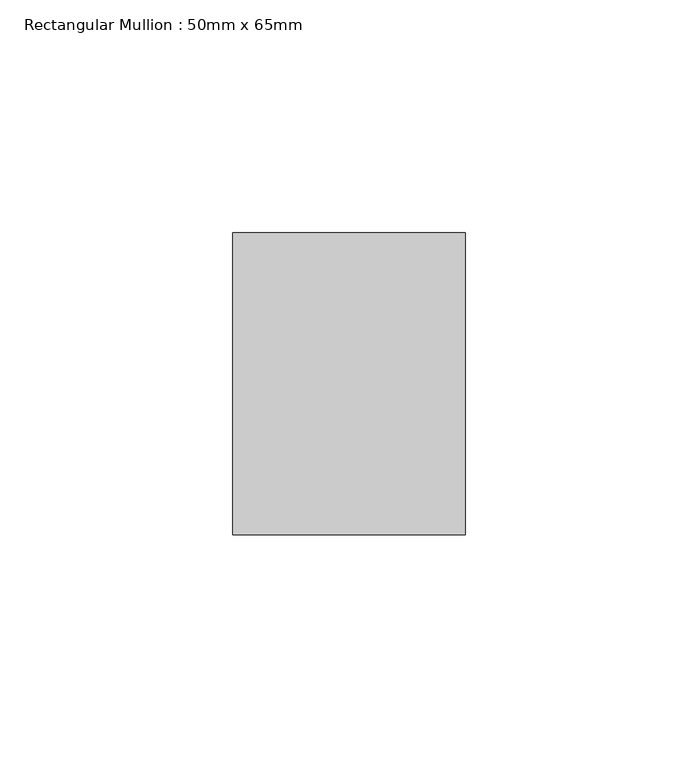
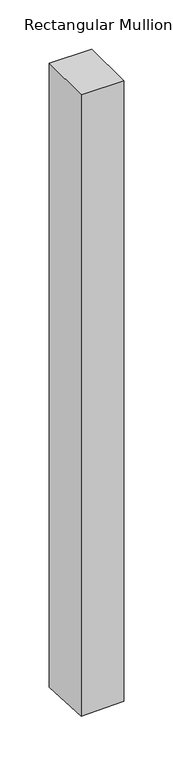
"""IFC4 building model written with IfcOpenShell, lengths in millimetres: member geometry, Rectangular Mullion : 50mm x 65mm."""

from ifc_helpers import new_model, si_unit, origin, place, context, project, spatial, faceted_brep, source, transform, mapped, element, save


def rectangular_mullion_50mm_x_65mm_7961d50e(model_context):
    return source(origin(), model_context, "Body", "Brep", [
        faceted_brep([(25.0, 32.5, 0.0), (-25.0, 32.5, 0.0), (-25.0, -32.5, 0.0), (25.0, -32.5, 0.0), (25.0, 32.5, -774.174976), (-25.0, 32.5, -775.5927746), (-25.0, -32.5, -772.5403871), (25.0, -32.5, -771.1225885)], [[[0, 1, 2, 3]], [[1, 0, 4, 5]], [[2, 1, 5, 6]], [[3, 2, 6, 7]], [[0, 3, 7, 4]], [[4, 7, 6, 5]]]),
    ])


if __name__ == "__main__":
    model = new_model("IFC4")
    model_context = context("Model", 3, world=origin())
    ifc_project = project(units=[si_unit("LENGTHUNIT", "METRE", prefix="MILLI")], contexts=[model_context])
    site = spatial("IfcSite", under=ifc_project)
    building = spatial("IfcBuilding", under=site)
    placement = place(None, origin())
    rectangular_mullion_50mm_x_65mm_shape = rectangular_mullion_50mm_x_65mm_7961d50e(model_context)
    element("IfcMember", 1, ObjectType="Rectangular Mullion : 50mm x 65mm", at=placement, inside=building, context=model_context, shape_type="MappedRepresentation", body=[
        mapped(rectangular_mullion_50mm_x_65mm_shape, transform((0.0, 0.0, 0.0), x_axis=(1.0, 0.0, 0.0), y_axis=(0.0, 1.0, 0.0), z_axis=(0.0, 0.0, 1.0))),
    ])
    save(model, "model.ifc")
